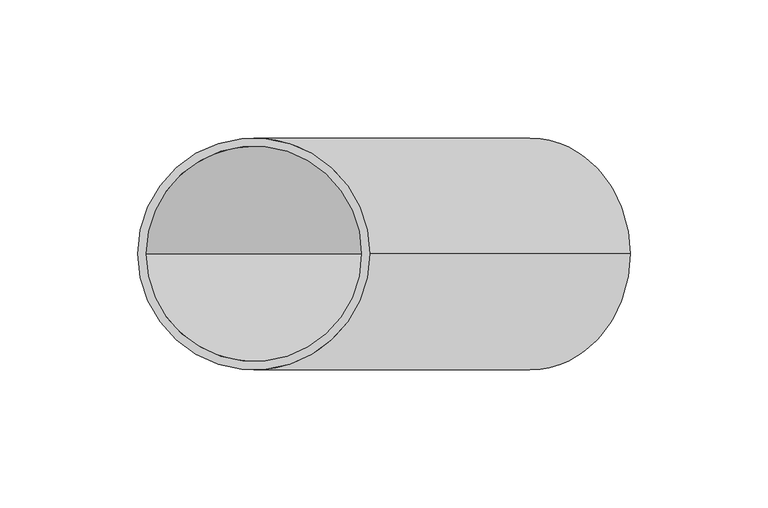
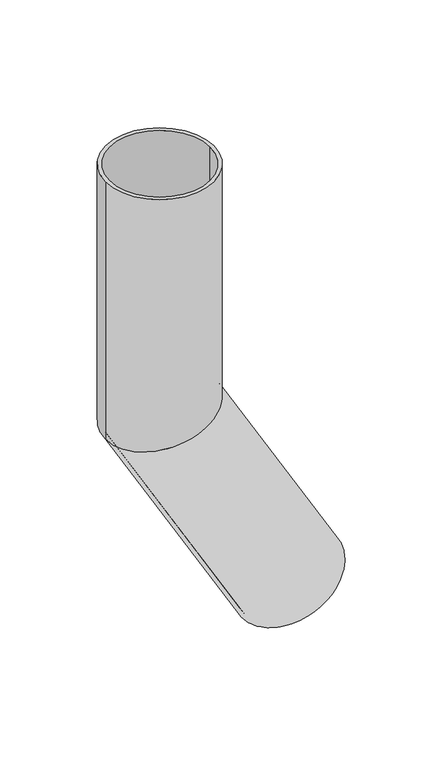
"""IFC4 building model written with IfcOpenShell, lengths in millimetres: beam geometry."""

import ifcopenshell
import ifcopenshell.guid

model = None  # the IFC model being written
_history = None  # IfcOwnerHistory: only IFC2X3 demands one
_inside = {}  # id of a spatial element -> (the spatial element, [elements in it])
_under = {}  # id of a project, library or spatial element -> (it, [spatial elements below it])
_declared = {}  # id of a project -> (the project, [libraries it declares])
_typed = {}  # id of a type object -> (the type object, [elements of that type])
_made_of = {}  # id of a material, layer set ... -> (it, [elements and type objects made of it])


def new_model(schema):
    """Start an empty IFC model of exactly this schema.

    Asked for "IFC4X3", IfcOpenShell would pick the latest addendum, in which some entities
    have other attributes; the version numbers below select the first issue.
    IFC2X3 requires an IfcOwnerHistory on every rooted entity: one is made here for all.
    """
    global model, _history
    if schema == "IFC4X3":
        model = ifcopenshell.file(schema_version=(4, 3, 0, 0))
    else:
        model = ifcopenshell.file(schema=schema)
    _inside.clear()
    _under.clear()
    _declared.clear()
    _typed.clear()
    _made_of.clear()
    _history = None
    if model.schema == "IFC2X3":
        org = make("IfcOrganization", Name="unknown")
        user = make(
            "IfcPersonAndOrganization",
            ThePerson=make("IfcPerson", FamilyName="unknown"),
            TheOrganization=org,
        )
        app = make(
            "IfcApplication",
            ApplicationDeveloper=org,
            Version="unknown",
            ApplicationFullName="unknown",
            ApplicationIdentifier="unknown",
        )
        _history = make(
            "IfcOwnerHistory",
            OwningUser=user,
            OwningApplication=app,
            ChangeAction="ADDED",
            CreationDate=0,
        )
    return model


def make(cls, **values):
    """One entity of the class cls with the attributes given. An attribute that is None is left unset."""
    return model.create_entity(
        cls, **{name: value for name, value in values.items() if value is not None}
    )


def rooted(cls, **values):
    """An entity with a GlobalId (a new one), such as an element, a storey or a relation."""
    return make(cls, GlobalId=ifcopenshell.guid.new(), OwnerHistory=_history, **values)


def si_unit(unit_type, name, prefix=None):
    """IfcSIUnit, for example si_unit("LENGTHUNIT", "METRE", prefix="MILLI")."""
    return make("IfcSIUnit", UnitType=unit_type, Prefix=prefix, Name=name)


def assignment(units):
    """IfcUnitAssignment: the units of a project."""
    return None if units is None else make("IfcUnitAssignment", Units=units)


def point(xyz):
    """IfcCartesianPoint."""
    return None if xyz is None else make("IfcCartesianPoint", Coordinates=xyz)


def direction(xyz):
    """IfcDirection."""
    return None if xyz is None else make("IfcDirection", DirectionRatios=xyz)


def frame(location, z_axis=None, x_axis=None):
    """IfcAxis2Placement3D, a coordinate frame: its origin and axes. An axis left out is left unset."""
    return make(
        "IfcAxis2Placement3D",
        Location=point(location),
        Axis=direction(z_axis),
        RefDirection=direction(x_axis),
    )


def origin():
    """The frame at (0, 0, 0) with its axes left unset."""
    return frame((0.0, 0.0, 0.0))


def place(relative_to, where):
    """IfcLocalPlacement: puts the frame where relative to a parent placement (None: the world)."""
    return make(
        "IfcLocalPlacement", PlacementRelTo=relative_to, RelativePlacement=where
    )


def context(
    kind, dimensions, precision=None, world=None, true_north=None, identifier=None
):
    """IfcGeometricRepresentationContext, for example the 3D "Model" context."""
    return make(
        "IfcGeometricRepresentationContext",
        ContextIdentifier=identifier,
        ContextType=kind,
        CoordinateSpaceDimension=dimensions,
        Precision=precision,
        WorldCoordinateSystem=world,
        TrueNorth=true_north,
    )


def project(units=None, contexts=None):
    """IfcProject with its units and contexts."""
    return rooted(
        "IfcProject",
        Name="project",
        RepresentationContexts=contexts,
        UnitsInContext=assignment(units),
    )


def spatial(cls, under=None, at=None, **own):
    """A site, building, storey or space (cls), placed at a placement, below another one or the project."""
    s = rooted(cls, ObjectPlacement=at, **own)
    if under is not None:
        _under.setdefault(under.id(), (under, []))[1].append(s)
    return s


def polyline(points):
    """IfcPolyline through the points."""
    return make("IfcPolyline", Points=[point(p) for p in points])


def circle_curve(where, radius):
    """IfcCircle in the frame where."""
    return make("IfcCircle", Position=where, Radius=radius)


def ellipse_curve(where, semi_axis1, semi_axis2):
    """IfcEllipse in the frame where."""
    return make(
        "IfcEllipse", Position=where, SemiAxis1=semi_axis1, SemiAxis2=semi_axis2
    )


def shape(context_of_items, identifier, shape_type, items):
    """IfcShapeRepresentation: the items that make up one representation, for example the "Body"."""
    return make(
        "IfcShapeRepresentation",
        ContextOfItems=context_of_items,
        RepresentationIdentifier=identifier,
        RepresentationType=shape_type,
        Items=items,
    )


def source(mapping_origin, context_of_items, identifier, shape_type, items):
    """IfcRepresentationMap: a shape defined once, which mapped items show again and again."""
    return make(
        "IfcRepresentationMap",
        MappingOrigin=mapping_origin,
        MappedRepresentation=shape(context_of_items, identifier, shape_type, items),
    )


def transform(
    local_origin,
    x_axis=None,
    y_axis=None,
    z_axis=None,
    scale=None,
    scale2=None,
    scale3=None,
    uniform=True,
):
    """IfcCartesianTransformationOperator3D, or its non-uniform kind. x_axis, y_axis, z_axis: its Axis1, 2, 3."""
    if uniform:
        return make(
            "IfcCartesianTransformationOperator3D",
            Axis1=direction(x_axis),
            Axis2=direction(y_axis),
            LocalOrigin=point(local_origin),
            Scale=scale,
            Axis3=direction(z_axis),
        )
    return make(
        "IfcCartesianTransformationOperator3DnonUniform",
        Axis1=direction(x_axis),
        Axis2=direction(y_axis),
        LocalOrigin=point(local_origin),
        Scale=scale,
        Axis3=direction(z_axis),
        Scale2=scale2,
        Scale3=scale3,
    )


def mapped(mapping_source, mapping_target):
    """IfcMappedItem: shows the shape of a source again, moved by a transform."""
    return make(
        "IfcMappedItem", MappingSource=mapping_source, MappingTarget=mapping_target
    )


def made_of(thing, what):
    """Note that an element or type object is made of a material, layer set ...; save() writes the relation."""
    if what is not None:
        _made_of.setdefault(what.id(), (what, []))[1].append(thing)
    return thing


def element(
    cls,
    number,
    at=None,
    inside=None,
    cuts=None,
    type_object=None,
    material=None,
    context=None,
    identifier="Body",
    shape_type=None,
    held_by="IfcProductDefinitionShape",
    body=None,
    shapes=None,
    **own,
):
    """One element of the class cls, such as IfcWall. Its Tag is "e" and its number.

    at: its placement. inside: the storey or other place that contains it. cuts: it is an
    opening in that element (IfcRelVoidsElement). A single representation is given by context,
    identifier, shape_type and body (its items); several are given by shapes. held_by: the class
    of the entity that holds the representations. save() writes the other relations.
    """
    e = rooted(cls, Tag="e%d" % number, ObjectPlacement=at, **own)
    if body is not None:
        shapes = [shape(context, identifier, shape_type, body)]
    if shapes is not None:
        e.Representation = make(held_by, Representations=shapes)
    if inside is not None:
        _inside.setdefault(inside.id(), (inside, []))[1].append(e)
    if cuts is not None:
        rooted(
            "IfcRelVoidsElement", RelatingBuildingElement=cuts, RelatedOpeningElement=e
        )
    if type_object is not None:
        _typed.setdefault(type_object.id(), (type_object, []))[1].append(e)
    return made_of(e, material)


def aggregate(whole, parts):
    """IfcRelAggregates: a whole, such as a stair, and the parts it consists of."""
    return rooted("IfcRelAggregates", RelatingObject=whole, RelatedObjects=parts)


def save(model, path):
    """Write the relations noted so far, then the file.

    IfcRelAggregates (storeys below a building ...), IfcRelContainedInSpatialStructure (elements
    in a storey), IfcRelDefinesByType, IfcRelAssociatesMaterial and IfcRelDeclares: one each for
    every whole, place, type object, material and project.
    """
    for whole, parts in _under.values():
        aggregate(whole, parts)
    for where, things in _inside.values():
        rooted(
            "IfcRelContainedInSpatialStructure",
            RelatedElements=things,
            RelatingStructure=where,
        )
    for kind, things in _typed.values():
        rooted("IfcRelDefinesByType", RelatedObjects=things, RelatingType=kind)
    for what, things in _made_of.values():
        rooted("IfcRelAssociatesMaterial", RelatedObjects=things, RelatingMaterial=what)
    for by, libraries in _declared.values():
        rooted("IfcRelDeclares", RelatingContext=by, RelatedDefinitions=libraries)
    model.write(path)


def plane_surface(at):
    """IfcPlane: the flat surface through the origin of the frame at, square to its z axis."""
    return make("IfcPlane", Position=at)


def cylinder_surface(at, radius):
    """IfcCylindricalSurface: all points at the distance radius from the z axis of the frame at."""
    return make("IfcCylindricalSurface", Position=at, Radius=radius)


def revolved_surface(curve, axis_point, axis_direction):
    """IfcSurfaceOfRevolution: the curve turned about the line through axis_point along axis_direction."""
    return make(
        "IfcSurfaceOfRevolution",
        SweptCurve=make("IfcArbitraryOpenProfileDef", ProfileType="CURVE", Curve=curve),
        AxisPosition=make("IfcAxis1Placement", Location=point(axis_point), Axis=direction(axis_direction)),
    )


def advanced_brep(points, edges, surfaces, faces):
    """IfcAdvancedBrep: a solid bounded by faces that lie on surfaces and meet in shared edges.

    An edge is (start, end): straight between two places in points (the first is 0);
    or (start, end, curve); or (start, end, curve, False) where it runs against its curve.
    A face is (place in surfaces, loops), or (place, loops, False) where it looks against
    its surface's normal. A loop lists edges by number (the first is 1), with a minus sign
    where the edge is run from its end to its start. The first loop is the outer one.
    """
    corners = [point(p) for p in points]
    vertices = [make("IfcVertexPoint", VertexGeometry=c) for c in corners]
    made = []
    for start, end, *more in edges:
        made.append(
            make(
                "IfcEdgeCurve",
                EdgeStart=vertices[start],
                EdgeEnd=vertices[end],
                EdgeGeometry=more[0] if more else make("IfcPolyline", Points=[corners[start], corners[end]]),
                SameSense=more[1] if len(more) > 1 else True,
            )
        )
    hull = []
    for where, loops, *sense in faces:
        bounds = []
        for j, loop in enumerate(loops):
            ring = [make("IfcOrientedEdge", EdgeElement=made[abs(k) - 1], Orientation=k > 0) for k in loop]
            bounds.append(
                make(
                    "IfcFaceOuterBound" if j == 0 else "IfcFaceBound",
                    Bound=make("IfcEdgeLoop", EdgeList=ring),
                    Orientation=True,
                )
            )
        hull.append(make("IfcAdvancedFace", Bounds=bounds, FaceSurface=surfaces[where], SameSense=sense[0] if sense else True))
    return make("IfcAdvancedBrep", Outer=make("IfcClosedShell", CfsFaces=hull))


def beam_3a0688a6(model_context):
    return source(origin(), model_context, "Body", "AdvancedBrep", [
        advanced_brep(
        [(136.373067, 0.0, -352.2050808), (63.626933, 0.0, -394.2050808), (133.7749907, 0.0, -353.7050808), (66.2250093, 0.0, -392.7050808), (42.0, 0.0, 0.0), (-42.0, 0.0, 0.0), (39.0, 0.0, 0.0), (-39.0, 0.0, 0.0), (39.0, 0.0, -189.5499815), (0.0, -39.0, -200.0), (-39.0, 0.0, -210.4500185), (0.0, 39.0, -200.0), (42.0, 0.0, -188.7461339), (-42.0, 0.0, -211.2538661)],
        [
            (0, 1, circle_curve(frame((100.0, 0.0, -373.2050808), z_axis=(0.5000000000000633, 0.0, -0.8660254037844022), x_axis=(-0.8660254037844022, 0.0, -0.5000000000000633)), 42.0)),
            (1, 0, circle_curve(frame((100.0, 0.0, -373.2050808), z_axis=(0.5000000000000633, 0.0, -0.8660254037844022), x_axis=(-0.8660254037844022, 0.0, -0.5000000000000633)), 42.0)),
            (2, 3, circle_curve(frame((100.0, 0.0, -373.2050808), z_axis=(-0.5000000000000633, 0.0, 0.8660254037844022), x_axis=(-0.8660254037844022, 0.0, -0.5000000000000633)), 39.0)),
            (3, 2, circle_curve(frame((100.0, 0.0, -373.2050808), z_axis=(-0.5000000000000633, 0.0, 0.8660254037844022), x_axis=(-0.8660254037844022, 0.0, -0.5000000000000633)), 39.0)),
            (4, 5, circle_curve(frame((0.0, 0.0, 0.0), z_axis=(0.0, 0.0, 1.0), x_axis=(-1.0, 0.0, 0.0)), 42.0)),
            (5, 4, circle_curve(frame((0.0, 0.0, 0.0), z_axis=(0.0, 0.0, 1.0), x_axis=(-1.0, 0.0, 0.0)), 42.0)),
            (6, 7, circle_curve(frame((0.0, 0.0, 0.0), z_axis=(0.0, 0.0, -1.0), x_axis=(-1.0, 0.0, 0.0)), 39.0)),
            (7, 6, circle_curve(frame((0.0, 0.0, 0.0), z_axis=(0.0, 0.0, -1.0), x_axis=(-1.0, 0.0, 0.0)), 39.0)),
            (6, 8),
            (8, 9, ellipse_curve(frame((0.0, 0.0, -200.0), z_axis=(0.25881904510255604, 0.0, -0.9659258262890589), x_axis=(0.9659258262890589, 0.0, 0.25881904510255593)), 40.375771, 39.0)),
            (9, 10, ellipse_curve(frame((0.0, 0.0, -200.0), z_axis=(0.25881904510255604, 0.0, -0.9659258262890589), x_axis=(0.9659258262890589, 0.0, 0.25881904510255593)), 40.375771, 39.0)),
            (10, 7),
            (10, 11, ellipse_curve(frame((0.0, 0.0, -200.0), z_axis=(0.25881904510255604, 0.0, -0.9659258262890589), x_axis=(0.9659258262890589, 0.0, 0.25881904510255593)), 40.375771, 39.0)),
            (11, 8, ellipse_curve(frame((0.0, 0.0, -200.0), z_axis=(0.25881904510255604, 0.0, -0.9659258262890589), x_axis=(0.9659258262890589, 0.0, 0.25881904510255593)), 40.375771, 39.0)),
            (4, 12),
            (12, 13, ellipse_curve(frame((0.0, 0.0, -200.0), z_axis=(-0.25881904510255604, 0.0, 0.9659258262890589), x_axis=(-0.9659258262890589, 0.0, -0.25881904510255593)), 43.4815996, 42.0)),
            (13, 5),
            (13, 12, ellipse_curve(frame((0.0, 0.0, -200.0), z_axis=(-0.25881904510255604, 0.0, 0.9659258262890589), x_axis=(-0.9659258262890589, 0.0, -0.25881904510255593)), 43.4815996, 42.0)),
            (2, 8),
            (10, 3),
            (0, 12),
            (13, 1),
        ],
        [
            plane_surface(frame((100.0, 0.0, -373.2050808), z_axis=(0.5000000000000633, 0.0, -0.8660254037844022), x_axis=(0.0, -1.0, 0.0))),
            plane_surface(frame((0.0, 0.0, 0.0), z_axis=(0.0, 0.0, 1.0), x_axis=(0.0, -1.0, 0.0))),
            revolved_surface(polyline([(-39.0, 0.0, 0.0), (-39.0, 0.0, -210.4500185)]), (0.0, 0.0, -200.0), (0.0, 0.0, 1.0)),
            cylinder_surface(frame((0.0, 0.0, -200.0), z_axis=(0.0, 0.0, -1.0), x_axis=(-1.0, 0.0, 0.0)), 42.0),
            revolved_surface(polyline([(-39.00000002076594, 0.0, -210.45001851198913), (66.22500926430517, 0.0, -392.70508082060843)]), (100.0, 0.0, -373.2050808), (-0.5000000000000633, 0.0, 0.8660254037844022)),
            cylinder_surface(frame((100.0, 0.0, -373.2050808), z_axis=(0.5000000000000633, 0.0, -0.8660254037844022), x_axis=(-0.8660254037844022, 0.0, -0.5000000000000633)), 42.0),
        ],
        [
            (0, [[1, 2], [3, 4]]),
            (1, [[5, 6], [7, 8]]),
            (2, [[-7, 9, 10, 11, 12]]),
            (2, [[-8, -12, 13, 14, -9]]),
            (3, [[-5, 15, 16, 17]]),
            (3, [[-6, -17, 18, -15]]),
            (4, [[-3, 19, -14, -13, 20]]),
            (4, [[-4, -20, -11, -10, -19]]),
            (5, [[-1, 21, -18, 22]]),
            (5, [[-2, -22, -16, -21]]),
        ],
    ),
    ])


if __name__ == "__main__":
    model = new_model("IFC4")
    model_context = context("Model", 3, world=origin())
    ifc_project = project(units=[si_unit("LENGTHUNIT", "METRE", prefix="MILLI")], contexts=[model_context])
    site = spatial("IfcSite", under=ifc_project)
    building = spatial("IfcBuilding", under=site)
    placement = place(None, origin())
    beam_shape = beam_3a0688a6(model_context)
    element("IfcBeam", 1, at=placement, inside=building, context=model_context, shape_type="MappedRepresentation", body=[
        mapped(beam_shape, transform((0.0, 0.0, 0.0), x_axis=(1.0, 0.0, 0.0), y_axis=(0.0, 1.0, 0.0), z_axis=(0.0, 0.0, 1.0))),
    ])
    save(model, "model.ifc")
